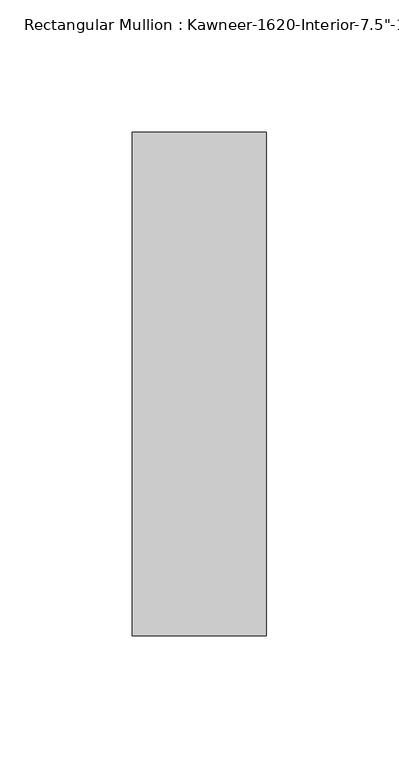
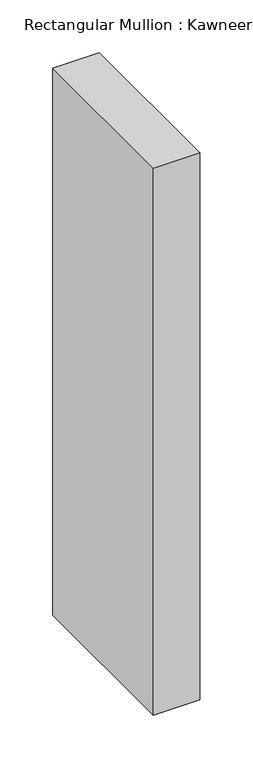
"""IFC4 building model written with IfcOpenShell, lengths in millimetres: member geometry."""

from ifc_helpers import new_model, si_unit, frame, origin, place, context, project, spatial, polyline, outline, extrude, source, transform, mapped, element, save


def member_a00b4ee1(model_context):
    return source(origin(), model_context, "Body", "SweptSolid", [
        extrude(outline(polyline([(25.4, -152.4), (-25.4, -152.4), (-25.4, 38.1), (25.4, 38.1), (25.4, -152.4)])), frame((0.0, 0.0, -631.825), z_axis=(0.0, 0.0, 1.0), x_axis=(1.0, 0.0, 0.0)), (0.0, 0.0, 1.0), 631.825),
    ])


if __name__ == "__main__":
    model = new_model("IFC4")
    model_context = context("Model", 3, world=origin())
    ifc_project = project(units=[si_unit("LENGTHUNIT", "METRE", prefix="MILLI")], contexts=[model_context])
    site = spatial("IfcSite", under=ifc_project)
    building = spatial("IfcBuilding", under=site)
    placement = place(None, origin())
    member_shape = member_a00b4ee1(model_context)
    element("IfcMember", 1, ObjectType="Rectangular Mullion : Kawneer-1620-Interior-7.5\"-1\"Infill", at=placement, inside=building, context=model_context, shape_type="MappedRepresentation", body=[
        mapped(member_shape, transform((0.0, 0.0, 0.0), x_axis=(1.0, 0.0, 0.0), y_axis=(0.0, 1.0, 0.0), z_axis=(0.0, 0.0, 1.0))),
    ])
    save(model, "model.ifc")
